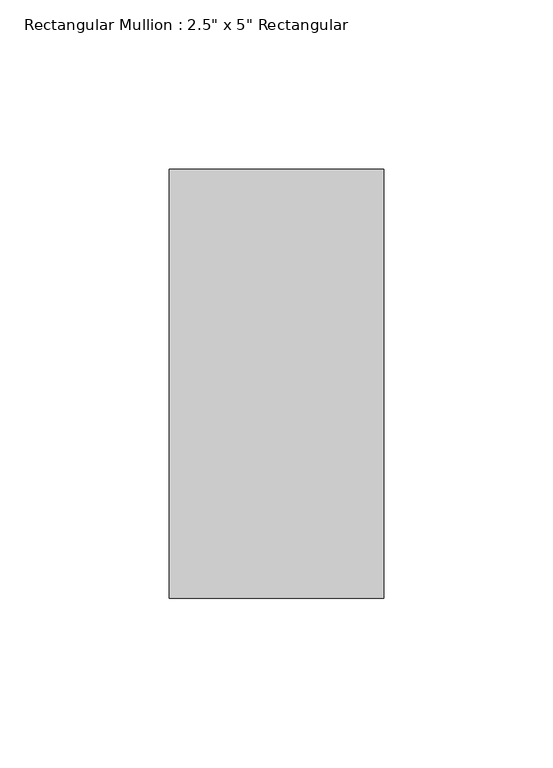
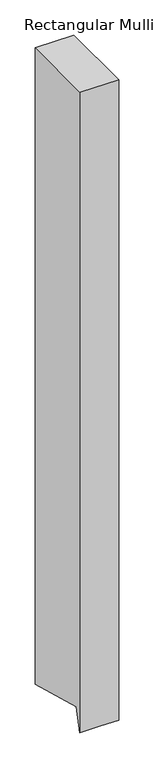
"""IFC4 building model written with IfcOpenShell, lengths in millimetres: member geometry."""

from ifc_helpers import new_model, si_unit, origin, place, context, project, spatial, faceted_brep, source, transform, mapped, element, save


def member_00117584(model_context):
    return source(origin(), model_context, "Body", "Brep", [
        faceted_brep([(31.75, 63.5, 0.0), (-31.75, 63.5, 0.0), (-31.75, -63.5, 0.0), (31.75, -63.5, 0.0), (31.75, 63.5, -1103.9654292), (0.0, 63.5, -1103.9654292), (-31.75, 63.5, -1103.9654292), (-31.75, -53.1187853, -1072.7175199), (-31.75, -63.5, -1111.4607406), (0.0, -63.5, -1111.4607406), (31.75, -63.5, -1111.4607406), (31.75, -53.1187853, -1072.7175199), (0.0, -53.1187853, -1072.7175199)], [[[0, 1, 2, 3]], [[1, 0, 4, 5, 6]], [[2, 1, 6, 7, 8]], [[3, 2, 8, 9, 10]], [[0, 3, 10, 11, 4]], [[4, 11, 12, 5]], [[11, 10, 9, 12]], [[9, 8, 7, 12]], [[7, 6, 5, 12]]]),
    ])


if __name__ == "__main__":
    model = new_model("IFC4")
    model_context = context("Model", 3, world=origin())
    ifc_project = project(units=[si_unit("LENGTHUNIT", "METRE", prefix="MILLI")], contexts=[model_context])
    site = spatial("IfcSite", under=ifc_project)
    building = spatial("IfcBuilding", under=site)
    placement = place(None, origin())
    member_shape = member_00117584(model_context)
    element("IfcMember", 1, ObjectType="Rectangular Mullion : 2.5\" x 5\" Rectangular", at=placement, inside=building, context=model_context, shape_type="MappedRepresentation", body=[
        mapped(member_shape, transform((0.0, 0.0, 0.0), x_axis=(1.0, 0.0, 0.0), y_axis=(0.0, 1.0, 0.0), z_axis=(0.0, 0.0, 1.0))),
    ])
    save(model, "model.ifc")
